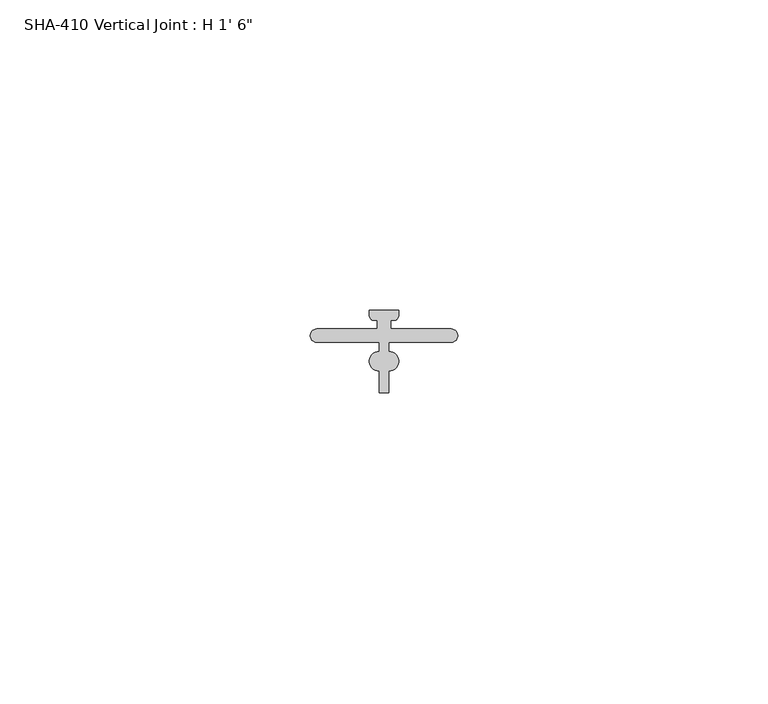
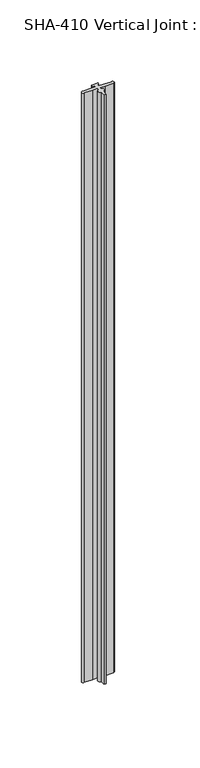
"""IFC4 building model written with IfcOpenShell, lengths in millimetres: proxy geometry."""

from ifc_helpers import new_model, si_unit, point, frame_2d, origin, origin_with_axes, place, context, project, spatial, polyline, circle_curve, trimmed, segment, composite_curve, outline, extrude, source, transform, mapped, element, save


def proxy_23c2abb8(model_context):
    return source(origin(), model_context, "Body", "SweptSolid", [
        extrude(outline(composite_curve([segment(trimmed(circle_curve(frame_2d((11.0998, 0.522225)), 1.5748001), [point((11.0995466, -1.0525751))], [point((11.0995466, 2.097025))], False, "CARTESIAN"), True, "CONTINUOUS"), segment(polyline([(11.0995466, 2.097025), (11.0995466, 3.582925), (7.2987956, 3.582925), (1.0668, 3.582925)]), True, "CONTINUOUS"), segment(trimmed(circle_curve(frame_2d((1.0668, 4.649725)), 1.0668), [point((1.0668, 3.582925))], [point((1.0668, 5.716525))], False, "CARTESIAN"), True, "CONTINUOUS"), segment(polyline([(1.0668, 5.716525), (7.2987956, 5.716525), (10.8204001, 5.716525), (10.8204001, 7.1440039), (9.9969026, 7.1440039)]), True, "CONTINUOUS"), segment(trimmed(circle_curve(frame_2d((10.4324294, 7.9400846)), 0.9074294), [point((9.9969026, 7.1440039))], [point((9.525, 7.9400846))], False, "CARTESIAN"), True, "CONTINUOUS"), segment(polyline([(9.525, 7.9400846), (9.525, 8.7315039), (11.8872001, 8.7315039), (14.2494004, 8.7315039), (14.2494004, 7.9400846)]), True, "CONTINUOUS"), segment(trimmed(circle_curve(frame_2d((13.3419707, 7.9400846)), 0.9074294), [point((14.2494004, 7.9400846))], [point((13.7774976, 7.1440039))], False, "CARTESIAN"), True, "CONTINUOUS"), segment(polyline([(13.7774976, 7.1440039), (12.9540001, 7.1440039), (12.9540001, 5.716525), (16.4756045, 5.716525), (22.7076003, 5.716525)]), True, "CONTINUOUS"), segment(trimmed(circle_curve(frame_2d((22.7076003, 4.649725)), 1.0668), [point((22.7076003, 5.716525))], [point((22.7076003, 3.582925))], False, "CARTESIAN"), True, "CONTINUOUS"), segment(polyline([(22.7076003, 3.582925), (16.4756045, 3.582925), (12.6748538, 3.582925), (12.6748538, 2.097025)]), True, "CONTINUOUS"), segment(trimmed(circle_curve(frame_2d((12.6746003, 0.522225)), 1.5748001), [point((12.6748538, 2.097025))], [point((12.6748537, -1.0525751))], False, "CARTESIAN"), True, "CONTINUOUS"), segment(polyline([(12.6748537, -1.0525751), (12.6748537, -4.557775), (11.0995466, -4.557775), (11.0995466, -1.0525751)]), True, "CONTINUOUS")], self_intersect=False)), origin_with_axes(), (0.0, 0.0, 1.0), 457.2),
    ])


if __name__ == "__main__":
    model = new_model("IFC4")
    model_context = context("Model", 3, world=origin())
    ifc_project = project(units=[si_unit("LENGTHUNIT", "METRE", prefix="MILLI")], contexts=[model_context])
    site = spatial("IfcSite", under=ifc_project)
    building = spatial("IfcBuilding", under=site)
    placement = place(None, origin())
    proxy_shape = proxy_23c2abb8(model_context)
    element("IfcBuildingElementProxy", 1, Name="SHA-410 Vertical Joint : H 1' 6\"", ObjectType="SHA-410 Vertical Joint : H 1' 6\"", at=placement, inside=building, context=model_context, shape_type="MappedRepresentation", body=[
        mapped(proxy_shape, transform((0.0, 0.0, 0.0), x_axis=(1.0, 0.0, 0.0), y_axis=(0.0, 1.0, 0.0), z_axis=(0.0, 0.0, 1.0))),
    ])
    save(model, "model.ifc")
